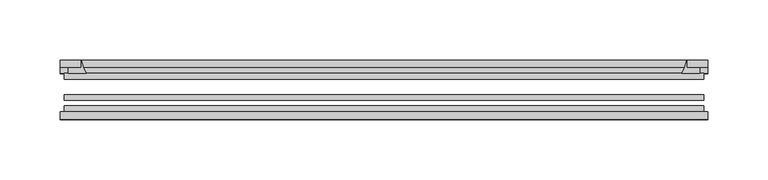
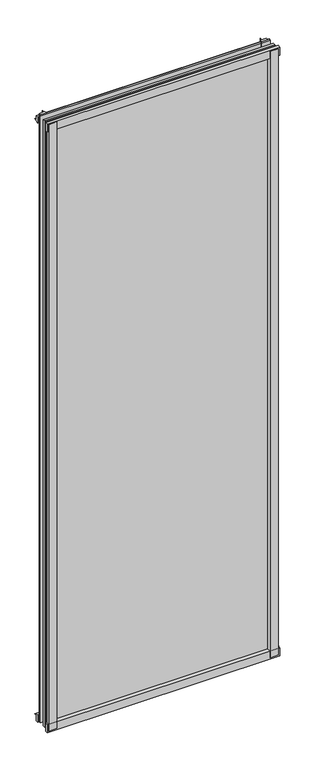
"""IFC4 building model written with IfcOpenShell, lengths in millimetres: plate geometry."""

from ifc_helpers import new_model, si_unit, point, frame, frame_2d, origin, place, context, project, spatial, polyline, circle_curve, trimmed, segment, composite_curve, outline, extrude, source, transform, mapped, element, save


def plate_fc9b7f03(model_context):
    return source(origin(), model_context, "Body", "SweptSolid", [
        extrude(outline(composite_curve([segment(polyline([(-265.1125, -78.7828625), (-243.6912987, -78.7828625)]), True, "CONTINUOUS"), segment(trimmed(circle_curve(frame_2d((-236.0541331, -84.652782)), 9.6323545), [point((-243.6912987, -78.7828625))], [point((-245.6745165, -85.1328625))], True, "CARTESIAN"), True, "CONTINUOUS"), segment(polyline([(-245.6745165, -85.1328625), (-265.1125, -85.1328625), (-265.1125, -78.7828625)]), True, "CONTINUOUS")], self_intersect=False)), frame((0.0, 0.0, -14.2875), z_axis=(0.0, 0.0, 1.0), x_axis=(1.0, 0.0, 0.0)), (0.0, 0.0, 1.0), 1479.55),
        extrude(outline(composite_curve([segment(polyline([(265.1544065, -78.7828625), (265.1544065, -85.1328625), (245.6745165, -85.1328625)]), True, "CONTINUOUS"), segment(trimmed(circle_curve(frame_2d((236.0541331, -84.652782)), 9.6323545), [point((245.6745165, -85.1328625))], [point((243.6912987, -78.7828625))], True, "CARTESIAN"), True, "CONTINUOUS"), segment(polyline([(243.6912987, -78.7828625), (265.1544065, -78.7828625)]), True, "CONTINUOUS")], self_intersect=False)), frame((0.0, 0.0, -14.2875), z_axis=(0.0, 0.0, 1.0), x_axis=(1.0, 0.0, 0.0)), (0.0, 0.0, 1.0), 1479.55),
        extrude(outline(composite_curve([segment(polyline([(-47.1852625, -14.2875), (-47.1852625, 3.9588469)]), True, "CONTINUOUS"), segment(trimmed(circle_curve(frame_2d((-30.6824422, 32.267054)), 32.7673262), [point((-47.1852625, 3.9588469))], [point((-36.3503395, -0.00635))], True, "CARTESIAN"), True, "CONTINUOUS"), segment(polyline([(-36.3503395, -0.00635), (-42.2830625, -0.00635), (-42.2830625, -14.2875), (-47.1852625, -14.2875)]), True, "CONTINUOUS")], self_intersect=False)), frame((-268.2875, 0.0, 0.0), z_axis=(1.0, 0.0, 0.0), x_axis=(0.0, 1.0, 0.0)), (0.0, 0.0, 1.0), 536.575),
        extrude(outline(composite_curve([segment(polyline([(-78.7828625, -16.8821065), (-85.1328625, -16.8821065), (-85.1328625, 2.5977835)]), True, "CONTINUOUS"), segment(trimmed(circle_curve(frame_2d((-84.652782, 12.2181669)), 9.6323545), [point((-85.1328625, 2.5977835))], [point((-78.7828625, 4.5810013))], True, "CARTESIAN"), True, "CONTINUOUS"), segment(polyline([(-78.7828625, 4.5810013), (-78.7828625, -16.8821065)]), True, "CONTINUOUS")], self_intersect=False)), frame((-268.2875, 0.0, 0.0), z_axis=(1.0, 0.0, 0.0), x_axis=(0.0, 1.0, 0.0)), (0.0, 0.0, 1.0), 536.575),
        extrude(outline(composite_curve([segment(polyline([(-47.1852625, 1447.0034531), (-47.1852625, 1461.6752564), (-42.2830625, 1461.6752564), (-42.2830625, 1450.975), (-36.3140625, 1450.975)]), True, "CONTINUOUS"), segment(trimmed(circle_curve(frame_2d((-30.6824422, 1418.695246)), 32.7673262), [point((-36.3140625, 1450.975))], [point((-47.1852625, 1447.0034531))], True, "CARTESIAN"), True, "CONTINUOUS")], self_intersect=False)), frame((-268.2875, 0.0, 0.0), z_axis=(1.0, 0.0, 0.0), x_axis=(0.0, 1.0, 0.0)), (0.0, 0.0, 1.0), 536.575),
        extrude(outline(composite_curve([segment(polyline([(-78.7828625, 1467.8444065), (-78.7828625, 1446.3812987)]), True, "CONTINUOUS"), segment(trimmed(circle_curve(frame_2d((-84.652782, 1438.7441331)), 9.6323545), [point((-78.7828625, 1446.3812987))], [point((-85.1328625, 1448.3645165))], True, "CARTESIAN"), True, "CONTINUOUS"), segment(polyline([(-85.1328625, 1448.3645165), (-85.1328625, 1467.8444065), (-78.7828625, 1467.8444065)]), True, "CONTINUOUS")], self_intersect=False)), frame((-268.2875, 0.0, 0.0), z_axis=(1.0, 0.0, 0.0), x_axis=(0.0, 1.0, 0.0)), (0.0, 0.0, 1.0), 536.575),
        extrude(outline(composite_curve([segment(trimmed(circle_curve(frame_2d((218.545246, -30.6824422)), 32.7673262), [point((246.8534531, -47.1852625))], [point((250.825, -36.3140625))], True, "CARTESIAN"), True, "CONTINUOUS"), segment(polyline([(250.825, -36.3140625), (250.825, -42.2830625), (261.5253653, -42.2830625), (261.5253653, -47.1852625), (246.8534531, -47.1852625)]), True, "CONTINUOUS")], self_intersect=False)), frame((0.0, 0.0, -14.2875), z_axis=(0.0, 0.0, 1.0), x_axis=(1.0, 0.0, 0.0)), (0.0, 0.0, 1.0), 1479.55),
        extrude(outline(composite_curve([segment(polyline([(-246.8534531, -47.1852625), (-261.5202092, -47.1852625), (-261.5202092, -42.2830625), (-250.825, -42.2830625), (-250.825, -36.3140625)]), True, "CONTINUOUS"), segment(trimmed(circle_curve(frame_2d((-218.545246, -30.6824422)), 32.7673262), [point((-250.825, -36.3140625))], [point((-246.8534531, -47.1852625))], True, "CARTESIAN"), True, "CONTINUOUS")], self_intersect=False)), frame((0.0, 0.0, -14.2875), z_axis=(0.0, 0.0, 1.0), x_axis=(1.0, 0.0, 0.0)), (0.0, 0.0, 1.0), 1479.55),
        extrude(outline(polyline([(265.1125, -64.6604625), (265.1125, -69.4356625), (-265.1125, -69.4356625), (-265.1125, -64.6604625), (265.1125, -64.6604625)])), frame((0.0, 0.0, -14.2875), z_axis=(0.0, 0.0, 1.0), x_axis=(1.0, 0.0, 0.0)), (0.0, 0.0, 1.0), 1479.55),
        extrude(outline(polyline([(-265.1125, -78.7828625), (-265.1125, -74.0076625), (265.1125, -74.0076625), (265.1125, -78.7828625), (-265.1125, -78.7828625)])), frame((0.0, 0.0, -14.2875), z_axis=(0.0, 0.0, 1.0), x_axis=(1.0, 0.0, 0.0)), (0.0, 0.0, 1.0), 1479.55),
        extrude(outline(polyline([(-265.1125, -47.1852625), (265.1125, -47.1852625), (265.1125, -51.9604625), (-265.1125, -51.9604625), (-265.1125, -47.1852625)])), frame((0.0, 0.0, -14.2875), z_axis=(0.0, 0.0, 1.0), x_axis=(1.0, 0.0, 0.0)), (0.0, 0.0, 1.0), 1479.55),
    ])


if __name__ == "__main__":
    model = new_model("IFC4")
    model_context = context("Model", 3, world=origin())
    ifc_project = project(units=[si_unit("LENGTHUNIT", "METRE", prefix="MILLI")], contexts=[model_context])
    site = spatial("IfcSite", under=ifc_project)
    building = spatial("IfcBuilding", under=site)
    placement = place(None, origin())
    plate_shape = plate_fc9b7f03(model_context)
    element("IfcPlate", 1, at=placement, inside=building, context=model_context, shape_type="MappedRepresentation", body=[
        mapped(plate_shape, transform((0.0, 0.0, 0.0), x_axis=(1.0, 0.0, 0.0), y_axis=(0.0, 1.0, 0.0), z_axis=(0.0, 0.0, 1.0))),
    ])
    save(model, "model.ifc")
